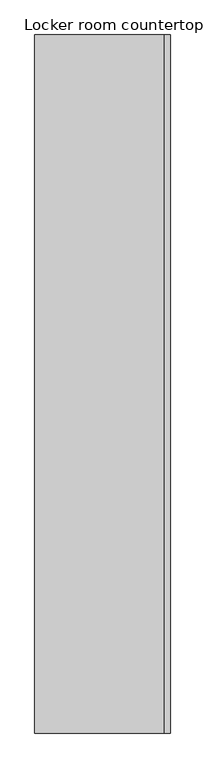
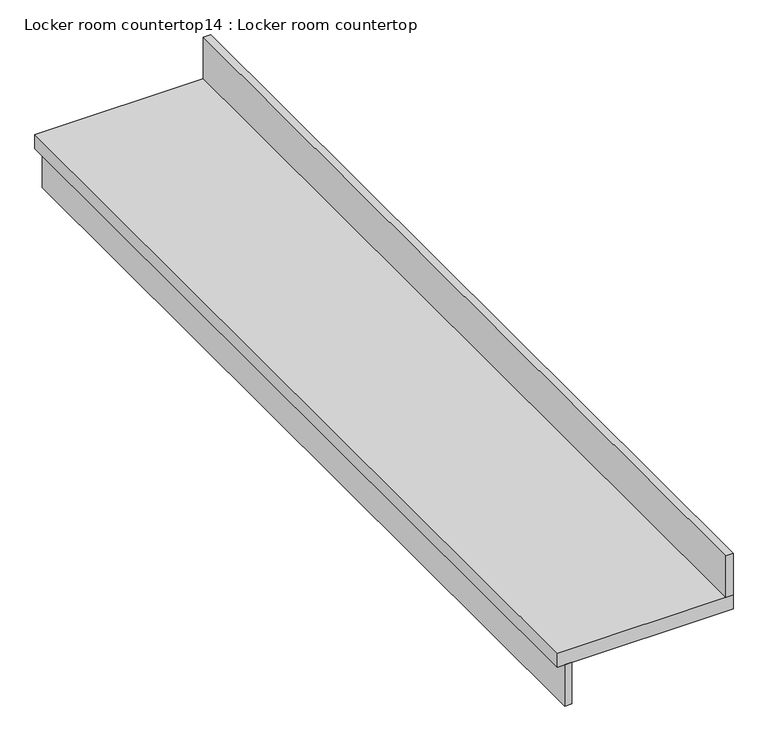
"""IFC4 building model written with IfcOpenShell, lengths in millimetres: furniture geometry, Locker room countertop14 : Locker room countertop."""

from ifc_helpers import new_model, si_unit, frame, origin, place, context, project, spatial, polyline, outline, extrude, source, transform, mapped, element, save


def locker_room_countertop14_locker_room_countertop_5b616e73(model_context):
    return source(origin(), model_context, "Body", "SweptSolid", [
        extrude(outline(polyline([(473984.4254676, -371399.6080223), (474009.8254676, -371399.6080223), (474009.8254676, -374538.0955223), (473984.4254676, -374538.0955223), (473984.4254676, -371399.6080223)])), frame((0.0, 0.0, 660.4), z_axis=(0.0, 0.0, 1.0), x_axis=(1.0, 0.0, 0.0)), (0.0, 0.0, 1.0), 152.4),
        extrude(outline(polyline([(474543.2254676, -374538.0955223), (474543.2254676, -371399.6080223), (474568.6254676, -371399.6080223), (474568.6254676, -374538.0955223), (474543.2254676, -374538.0955223)])), frame((0.0, 0.0, 863.6), z_axis=(0.0, 0.0, 1.0), x_axis=(1.0, 0.0, 0.0)), (0.0, 0.0, 1.0), 152.4),
        extrude(outline(polyline([(473959.0254676, -374538.0955223), (473959.0254676, -371399.6080223), (474568.6254676, -371399.6080223), (474568.6254676, -374538.0955223), (473959.0254676, -374538.0955223)])), frame((0.0, 0.0, 812.8), z_axis=(0.0, 0.0, 1.0), x_axis=(1.0, 0.0, 0.0)), (0.0, 0.0, 1.0), 50.8),
    ])


if __name__ == "__main__":
    model = new_model("IFC4")
    model_context = context("Model", 3, world=origin())
    ifc_project = project(units=[si_unit("LENGTHUNIT", "METRE", prefix="MILLI")], contexts=[model_context])
    site = spatial("IfcSite", under=ifc_project)
    building = spatial("IfcBuilding", under=site)
    placement = place(None, origin())
    locker_room_countertop14_locker_room_countertop_shape = locker_room_countertop14_locker_room_countertop_5b616e73(model_context)
    element("IfcFurniture", 1, ObjectType="Locker room countertop14 : Locker room countertop", at=placement, inside=building, context=model_context, shape_type="MappedRepresentation", body=[
        mapped(locker_room_countertop14_locker_room_countertop_shape, transform((0.0, 0.0, 0.0), x_axis=(1.0, 0.0, 0.0), y_axis=(0.0, 1.0, 0.0), z_axis=(0.0, 0.0, 1.0))),
    ])
    save(model, "model.ifc")
